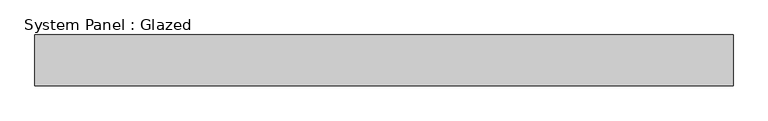
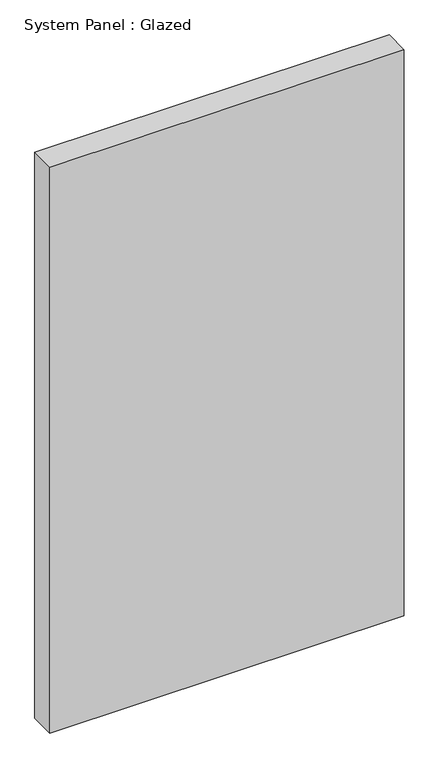
"""IFC4 building model written with IfcOpenShell, lengths in millimetres: plate geometry, System Panel : Glazed."""

from ifc_helpers import new_model, si_unit, origin, origin_with_axes, place, context, project, spatial, polyline, outline, extrude, source, transform, mapped, element, save


def system_panel_glazed_1b605cd1(model_context):
    return source(origin(), model_context, "Body", "SweptSolid", [
        extrude(outline(polyline([(689.1666667, 50.0), (-689.1666667, 50.0), (-689.1666667, 150.0), (689.1666667, 150.0), (689.1666667, 50.0)])), origin_with_axes(), (0.0, 0.0, 1.0), 2325.0),
    ])


if __name__ == "__main__":
    model = new_model("IFC4")
    model_context = context("Model", 3, world=origin())
    ifc_project = project(units=[si_unit("LENGTHUNIT", "METRE", prefix="MILLI")], contexts=[model_context])
    site = spatial("IfcSite", under=ifc_project)
    building = spatial("IfcBuilding", under=site)
    placement = place(None, origin())
    system_panel_glazed_shape = system_panel_glazed_1b605cd1(model_context)
    element("IfcPlate", 1, ObjectType="System Panel : Glazed", at=placement, inside=building, context=model_context, shape_type="MappedRepresentation", body=[
        mapped(system_panel_glazed_shape, transform((0.0, 0.0, 0.0), x_axis=(1.0, 0.0, 0.0), y_axis=(0.0, 1.0, 0.0), z_axis=(0.0, 0.0, 1.0))),
    ])
    save(model, "model.ifc")
